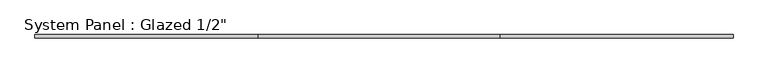
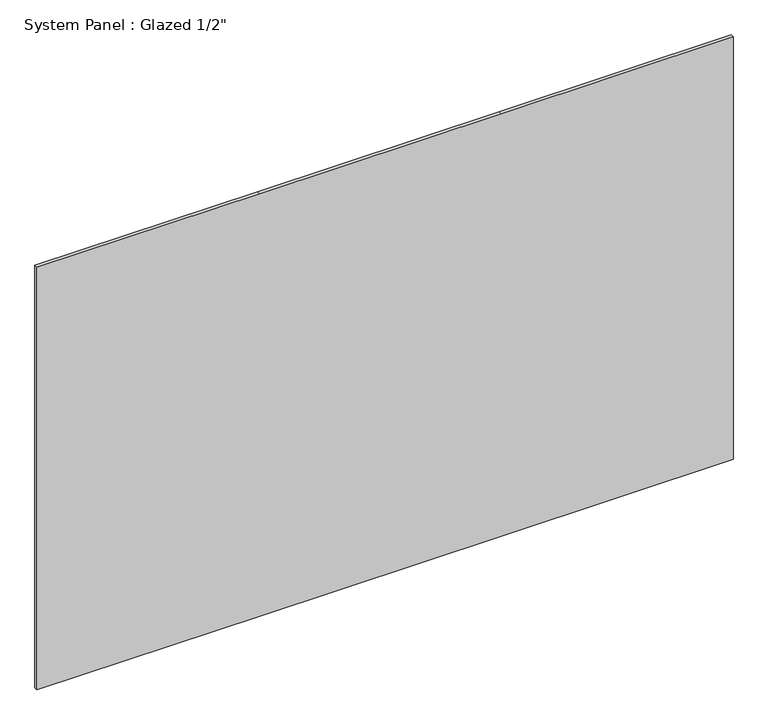
"""IFC4 building model written with IfcOpenShell, lengths in millimetres: plate geometry."""

import ifcopenshell
import ifcopenshell.guid

model = None  # the IFC model being written
_history = None  # IfcOwnerHistory: only IFC2X3 demands one
_inside = {}  # id of a spatial element -> (the spatial element, [elements in it])
_under = {}  # id of a project, library or spatial element -> (it, [spatial elements below it])
_declared = {}  # id of a project -> (the project, [libraries it declares])
_typed = {}  # id of a type object -> (the type object, [elements of that type])
_made_of = {}  # id of a material, layer set ... -> (it, [elements and type objects made of it])


def new_model(schema):
    """Start an empty IFC model of exactly this schema.

    Asked for "IFC4X3", IfcOpenShell would pick the latest addendum, in which some entities
    have other attributes; the version numbers below select the first issue.
    IFC2X3 requires an IfcOwnerHistory on every rooted entity: one is made here for all.
    """
    global model, _history
    if schema == "IFC4X3":
        model = ifcopenshell.file(schema_version=(4, 3, 0, 0))
    else:
        model = ifcopenshell.file(schema=schema)
    _inside.clear()
    _under.clear()
    _declared.clear()
    _typed.clear()
    _made_of.clear()
    _history = None
    if model.schema == "IFC2X3":
        org = make("IfcOrganization", Name="unknown")
        user = make(
            "IfcPersonAndOrganization",
            ThePerson=make("IfcPerson", FamilyName="unknown"),
            TheOrganization=org,
        )
        app = make(
            "IfcApplication",
            ApplicationDeveloper=org,
            Version="unknown",
            ApplicationFullName="unknown",
            ApplicationIdentifier="unknown",
        )
        _history = make(
            "IfcOwnerHistory",
            OwningUser=user,
            OwningApplication=app,
            ChangeAction="ADDED",
            CreationDate=0,
        )
    return model


def make(cls, **values):
    """One entity of the class cls with the attributes given. An attribute that is None is left unset."""
    return model.create_entity(
        cls, **{name: value for name, value in values.items() if value is not None}
    )


def rooted(cls, **values):
    """An entity with a GlobalId (a new one), such as an element, a storey or a relation."""
    return make(cls, GlobalId=ifcopenshell.guid.new(), OwnerHistory=_history, **values)


def si_unit(unit_type, name, prefix=None):
    """IfcSIUnit, for example si_unit("LENGTHUNIT", "METRE", prefix="MILLI")."""
    return make("IfcSIUnit", UnitType=unit_type, Prefix=prefix, Name=name)


def assignment(units):
    """IfcUnitAssignment: the units of a project."""
    return None if units is None else make("IfcUnitAssignment", Units=units)


def point(xyz):
    """IfcCartesianPoint."""
    return None if xyz is None else make("IfcCartesianPoint", Coordinates=xyz)


def direction(xyz):
    """IfcDirection."""
    return None if xyz is None else make("IfcDirection", DirectionRatios=xyz)


def frame(location, z_axis=None, x_axis=None):
    """IfcAxis2Placement3D, a coordinate frame: its origin and axes. An axis left out is left unset."""
    return make(
        "IfcAxis2Placement3D",
        Location=point(location),
        Axis=direction(z_axis),
        RefDirection=direction(x_axis),
    )


def origin():
    """The frame at (0, 0, 0) with its axes left unset."""
    return frame((0.0, 0.0, 0.0))


def place(relative_to, where):
    """IfcLocalPlacement: puts the frame where relative to a parent placement (None: the world)."""
    return make(
        "IfcLocalPlacement", PlacementRelTo=relative_to, RelativePlacement=where
    )


def context(
    kind, dimensions, precision=None, world=None, true_north=None, identifier=None
):
    """IfcGeometricRepresentationContext, for example the 3D "Model" context."""
    return make(
        "IfcGeometricRepresentationContext",
        ContextIdentifier=identifier,
        ContextType=kind,
        CoordinateSpaceDimension=dimensions,
        Precision=precision,
        WorldCoordinateSystem=world,
        TrueNorth=true_north,
    )


def project(units=None, contexts=None):
    """IfcProject with its units and contexts."""
    return rooted(
        "IfcProject",
        Name="project",
        RepresentationContexts=contexts,
        UnitsInContext=assignment(units),
    )


def spatial(cls, under=None, at=None, **own):
    """A site, building, storey or space (cls), placed at a placement, below another one or the project."""
    s = rooted(cls, ObjectPlacement=at, **own)
    if under is not None:
        _under.setdefault(under.id(), (under, []))[1].append(s)
    return s


def polyline(points):
    """IfcPolyline through the points."""
    return make("IfcPolyline", Points=[point(p) for p in points])


def outline(outer, holes=None, kind="AREA"):
    """IfcArbitraryClosedProfileDef: a profile drawn as a closed curve; with holes, ...WithVoids."""
    if holes is None:
        return make("IfcArbitraryClosedProfileDef", ProfileType=kind, OuterCurve=outer)
    return make(
        "IfcArbitraryProfileDefWithVoids",
        ProfileType=kind,
        OuterCurve=outer,
        InnerCurves=holes,
    )


def extrude(swept, where, along, depth):
    """IfcExtrudedAreaSolid: the profile swept, set in the frame where, extruded along a direction by depth."""
    return make(
        "IfcExtrudedAreaSolid",
        SweptArea=swept,
        Position=where,
        ExtrudedDirection=direction(along),
        Depth=depth,
    )


def shape(context_of_items, identifier, shape_type, items):
    """IfcShapeRepresentation: the items that make up one representation, for example the "Body"."""
    return make(
        "IfcShapeRepresentation",
        ContextOfItems=context_of_items,
        RepresentationIdentifier=identifier,
        RepresentationType=shape_type,
        Items=items,
    )


def source(mapping_origin, context_of_items, identifier, shape_type, items):
    """IfcRepresentationMap: a shape defined once, which mapped items show again and again."""
    return make(
        "IfcRepresentationMap",
        MappingOrigin=mapping_origin,
        MappedRepresentation=shape(context_of_items, identifier, shape_type, items),
    )


def transform(
    local_origin,
    x_axis=None,
    y_axis=None,
    z_axis=None,
    scale=None,
    scale2=None,
    scale3=None,
    uniform=True,
):
    """IfcCartesianTransformationOperator3D, or its non-uniform kind. x_axis, y_axis, z_axis: its Axis1, 2, 3."""
    if uniform:
        return make(
            "IfcCartesianTransformationOperator3D",
            Axis1=direction(x_axis),
            Axis2=direction(y_axis),
            LocalOrigin=point(local_origin),
            Scale=scale,
            Axis3=direction(z_axis),
        )
    return make(
        "IfcCartesianTransformationOperator3DnonUniform",
        Axis1=direction(x_axis),
        Axis2=direction(y_axis),
        LocalOrigin=point(local_origin),
        Scale=scale,
        Axis3=direction(z_axis),
        Scale2=scale2,
        Scale3=scale3,
    )


def mapped(mapping_source, mapping_target):
    """IfcMappedItem: shows the shape of a source again, moved by a transform."""
    return make(
        "IfcMappedItem", MappingSource=mapping_source, MappingTarget=mapping_target
    )


def made_of(thing, what):
    """Note that an element or type object is made of a material, layer set ...; save() writes the relation."""
    if what is not None:
        _made_of.setdefault(what.id(), (what, []))[1].append(thing)
    return thing


def element(
    cls,
    number,
    at=None,
    inside=None,
    cuts=None,
    type_object=None,
    material=None,
    context=None,
    identifier="Body",
    shape_type=None,
    held_by="IfcProductDefinitionShape",
    body=None,
    shapes=None,
    **own,
):
    """One element of the class cls, such as IfcWall. Its Tag is "e" and its number.

    at: its placement. inside: the storey or other place that contains it. cuts: it is an
    opening in that element (IfcRelVoidsElement). A single representation is given by context,
    identifier, shape_type and body (its items); several are given by shapes. held_by: the class
    of the entity that holds the representations. save() writes the other relations.
    """
    e = rooted(cls, Tag="e%d" % number, ObjectPlacement=at, **own)
    if body is not None:
        shapes = [shape(context, identifier, shape_type, body)]
    if shapes is not None:
        e.Representation = make(held_by, Representations=shapes)
    if inside is not None:
        _inside.setdefault(inside.id(), (inside, []))[1].append(e)
    if cuts is not None:
        rooted(
            "IfcRelVoidsElement", RelatingBuildingElement=cuts, RelatedOpeningElement=e
        )
    if type_object is not None:
        _typed.setdefault(type_object.id(), (type_object, []))[1].append(e)
    return made_of(e, material)


def aggregate(whole, parts):
    """IfcRelAggregates: a whole, such as a stair, and the parts it consists of."""
    return rooted("IfcRelAggregates", RelatingObject=whole, RelatedObjects=parts)


def save(model, path):
    """Write the relations noted so far, then the file.

    IfcRelAggregates (storeys below a building ...), IfcRelContainedInSpatialStructure (elements
    in a storey), IfcRelDefinesByType, IfcRelAssociatesMaterial and IfcRelDeclares: one each for
    every whole, place, type object, material and project.
    """
    for whole, parts in _under.values():
        aggregate(whole, parts)
    for where, things in _inside.values():
        rooted(
            "IfcRelContainedInSpatialStructure",
            RelatedElements=things,
            RelatingStructure=where,
        )
    for kind, things in _typed.values():
        rooted("IfcRelDefinesByType", RelatedObjects=things, RelatingType=kind)
    for what, things in _made_of.values():
        rooted("IfcRelAssociatesMaterial", RelatedObjects=things, RelatingMaterial=what)
    for by, libraries in _declared.values():
        rooted("IfcRelDeclares", RelatingContext=by, RelatedDefinitions=libraries)
    model.write(path)


def plate_b7ab45aa(model_context):
    return source(origin(), model_context, "Body", "SweptSolid", [
        extrude(outline(polyline([(0.0, -1304.925), (0.0, -469.9), (0.0, 434.975), (0.0, 1304.925), (1674.2833333, 1304.925), (1674.2833333, 434.975), (1674.2833333, -469.9), (1674.2833333, -1304.925), (0.0, -1304.925)])), frame((0.0, -6.35, 0.0), z_axis=(0.0, 1.0, 0.0), x_axis=(0.0, 0.0, 1.0)), (0.0, 0.0, 1.0), 12.7),
    ])


if __name__ == "__main__":
    model = new_model("IFC4")
    model_context = context("Model", 3, world=origin())
    ifc_project = project(units=[si_unit("LENGTHUNIT", "METRE", prefix="MILLI")], contexts=[model_context])
    site = spatial("IfcSite", under=ifc_project)
    building = spatial("IfcBuilding", under=site)
    placement = place(None, origin())
    plate_shape = plate_b7ab45aa(model_context)
    element("IfcPlate", 1, ObjectType="System Panel : Glazed 1/2\"", at=placement, inside=building, context=model_context, shape_type="MappedRepresentation", body=[
        mapped(plate_shape, transform((0.0, 0.0, 0.0), x_axis=(1.0, 0.0, 0.0), y_axis=(0.0, 1.0, 0.0), z_axis=(0.0, 0.0, 1.0))),
    ])
    save(model, "model.ifc")
